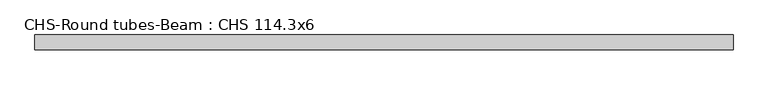
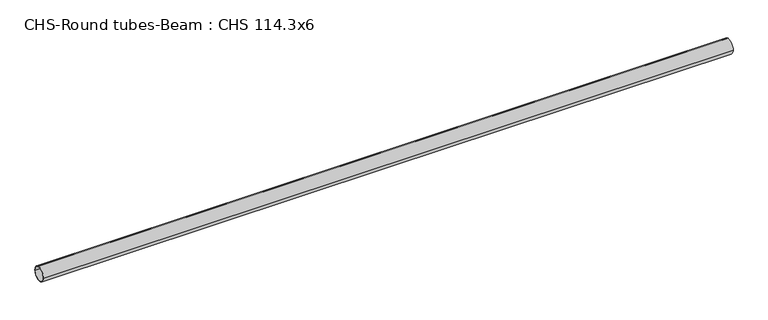
"""IFC4 building model written with IfcOpenShell, lengths in millimetres: beam geometry, CHS-Round tubes-Beam : CHS 114.3x6."""

from ifc_helpers import new_model, si_unit, point, frame, origin, origin_2d, place, context, project, spatial, circle_curve, trimmed, segment, composite_curve, outline, extrude, source, transform, mapped, element, save


def chs_round_tubes_beam_chs_114_3x6_c47660b1(model_context):
    return source(origin(), model_context, "Body", "SweptSolid", [
        extrude(outline(composite_curve([segment(trimmed(circle_curve(origin_2d(), 57.15), [point((57.15, 0.0))], [point((-57.15, 0.0))], False, "CARTESIAN"), True, "CONTINUOUS"), segment(trimmed(circle_curve(origin_2d(), 57.15), [point((-57.15, 0.0))], [point((57.15, 0.0))], False, "CARTESIAN"), True, "CONTINUOUS")], self_intersect=False), holes=[composite_curve([segment(trimmed(circle_curve(origin_2d(), 51.15), [point((51.15, 0.0))], [point((-51.15, 0.0))], True, "CARTESIAN"), True, "CONTINUOUS"), segment(trimmed(circle_curve(origin_2d(), 51.15), [point((-51.15, 0.0))], [point((51.15, 0.0))], True, "CARTESIAN"), True, "CONTINUOUS")], self_intersect=False)]), frame((-2708.9176529, 0.0, 0.0), z_axis=(1.0, 0.0, 0.0), x_axis=(0.0, 1.0, 0.0)), (0.0, 0.0, 1.0), 5415.9094312),
    ])


if __name__ == "__main__":
    model = new_model("IFC4")
    model_context = context("Model", 3, world=origin())
    ifc_project = project(units=[si_unit("LENGTHUNIT", "METRE", prefix="MILLI")], contexts=[model_context])
    site = spatial("IfcSite", under=ifc_project)
    building = spatial("IfcBuilding", under=site)
    placement = place(None, origin())
    chs_round_tubes_beam_chs_114_3x6_shape = chs_round_tubes_beam_chs_114_3x6_c47660b1(model_context)
    element("IfcBeam", 1, ObjectType="CHS-Round tubes-Beam : CHS 114.3x6", at=placement, inside=building, context=model_context, shape_type="MappedRepresentation", body=[
        mapped(chs_round_tubes_beam_chs_114_3x6_shape, transform((0.0, 0.0, 0.0), x_axis=(1.0, 0.0, 0.0), y_axis=(0.0, 1.0, 0.0), z_axis=(0.0, 0.0, 1.0))),
    ])
    save(model, "model.ifc")
